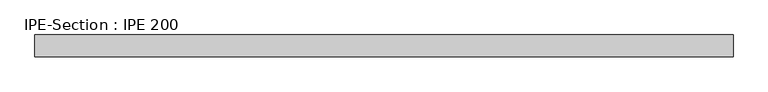
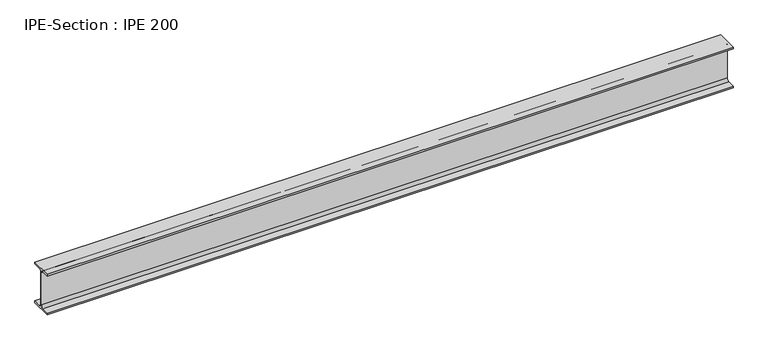
"""IFC4 building model written with IfcOpenShell, lengths in millimetres: beam geometry, IPE-Section : IPE 200."""

from ifc_helpers import new_model, si_unit, point, frame, frame_2d, origin, place, context, project, spatial, polyline, circle_curve, trimmed, segment, composite_curve, outline, extrude, source, transform, mapped, element, save


def ipe_section_ipe_200_d79a8b57(model_context):
    return source(origin(), model_context, "Body", "SweptSolid", [
        extrude(outline(composite_curve([segment(polyline([(50.0, -91.5), (50.0, -100.0), (-50.0, -100.0), (-50.0, -91.5), (-14.8, -91.5)]), True, "CONTINUOUS"), segment(trimmed(circle_curve(frame_2d((-14.8, -79.5)), 12.0), [point((-14.8, -91.5))], [point((-2.8, -79.5))], True, "CARTESIAN"), True, "CONTINUOUS"), segment(polyline([(-2.8, -79.5), (-2.8, 79.5)]), True, "CONTINUOUS"), segment(trimmed(circle_curve(frame_2d((-14.8, 79.5)), 12.0), [point((-2.8, 79.5))], [point((-14.8, 91.5))], True, "CARTESIAN"), True, "CONTINUOUS"), segment(polyline([(-14.8, 91.5), (-50.0, 91.5), (-50.0, 100.0), (50.0, 100.0), (50.0, 91.5), (14.8, 91.5)]), True, "CONTINUOUS"), segment(trimmed(circle_curve(frame_2d((14.8, 79.5)), 12.0), [point((14.8, 91.5))], [point((2.8, 79.5))], True, "CARTESIAN"), True, "CONTINUOUS"), segment(polyline([(2.8, 79.5), (2.8, -79.5)]), True, "CONTINUOUS"), segment(trimmed(circle_curve(frame_2d((14.8, -79.5)), 12.0), [point((2.8, -79.5))], [point((14.8, -91.5))], True, "CARTESIAN"), True, "CONTINUOUS"), segment(polyline([(14.8, -91.5), (50.0, -91.5)]), True, "CONTINUOUS")], self_intersect=False)), frame((-1562.5174722, 0.0, 0.0), z_axis=(1.0, 0.0, 0.0), x_axis=(0.0, 1.0, 0.0)), (0.0, 0.0, 1.0), 3197.3951968),
    ])


if __name__ == "__main__":
    model = new_model("IFC4")
    model_context = context("Model", 3, world=origin())
    ifc_project = project(units=[si_unit("LENGTHUNIT", "METRE", prefix="MILLI")], contexts=[model_context])
    site = spatial("IfcSite", under=ifc_project)
    building = spatial("IfcBuilding", under=site)
    placement = place(None, origin())
    ipe_section_ipe_200_shape = ipe_section_ipe_200_d79a8b57(model_context)
    element("IfcBeam", 1, ObjectType="IPE-Section : IPE 200", at=placement, inside=building, context=model_context, shape_type="MappedRepresentation", body=[
        mapped(ipe_section_ipe_200_shape, transform((0.0, 0.0, 0.0), x_axis=(1.0, 0.0, 0.0), y_axis=(0.0, 1.0, 0.0), z_axis=(0.0, 0.0, 1.0))),
    ])
    save(model, "model.ifc")
